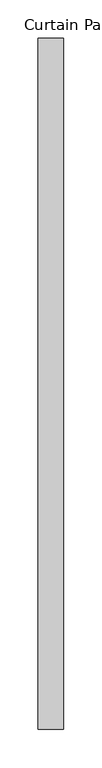
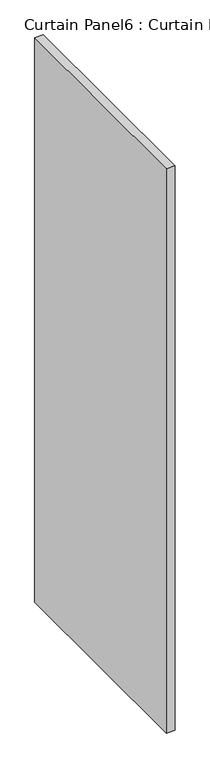
"""IFC4 building model written with IfcOpenShell, lengths in millimetres: plate geometry, Curtain Panel6 : Curtain Panel."""

import ifcopenshell
import ifcopenshell.guid

model = None  # the IFC model being written
_history = None  # IfcOwnerHistory: only IFC2X3 demands one
_inside = {}  # id of a spatial element -> (the spatial element, [elements in it])
_under = {}  # id of a project, library or spatial element -> (it, [spatial elements below it])
_declared = {}  # id of a project -> (the project, [libraries it declares])
_typed = {}  # id of a type object -> (the type object, [elements of that type])
_made_of = {}  # id of a material, layer set ... -> (it, [elements and type objects made of it])


def new_model(schema):
    """Start an empty IFC model of exactly this schema.

    Asked for "IFC4X3", IfcOpenShell would pick the latest addendum, in which some entities
    have other attributes; the version numbers below select the first issue.
    IFC2X3 requires an IfcOwnerHistory on every rooted entity: one is made here for all.
    """
    global model, _history
    if schema == "IFC4X3":
        model = ifcopenshell.file(schema_version=(4, 3, 0, 0))
    else:
        model = ifcopenshell.file(schema=schema)
    _inside.clear()
    _under.clear()
    _declared.clear()
    _typed.clear()
    _made_of.clear()
    _history = None
    if model.schema == "IFC2X3":
        org = make("IfcOrganization", Name="unknown")
        user = make(
            "IfcPersonAndOrganization",
            ThePerson=make("IfcPerson", FamilyName="unknown"),
            TheOrganization=org,
        )
        app = make(
            "IfcApplication",
            ApplicationDeveloper=org,
            Version="unknown",
            ApplicationFullName="unknown",
            ApplicationIdentifier="unknown",
        )
        _history = make(
            "IfcOwnerHistory",
            OwningUser=user,
            OwningApplication=app,
            ChangeAction="ADDED",
            CreationDate=0,
        )
    return model


def make(cls, **values):
    """One entity of the class cls with the attributes given. An attribute that is None is left unset."""
    return model.create_entity(
        cls, **{name: value for name, value in values.items() if value is not None}
    )


def rooted(cls, **values):
    """An entity with a GlobalId (a new one), such as an element, a storey or a relation."""
    return make(cls, GlobalId=ifcopenshell.guid.new(), OwnerHistory=_history, **values)


def si_unit(unit_type, name, prefix=None):
    """IfcSIUnit, for example si_unit("LENGTHUNIT", "METRE", prefix="MILLI")."""
    return make("IfcSIUnit", UnitType=unit_type, Prefix=prefix, Name=name)


def assignment(units):
    """IfcUnitAssignment: the units of a project."""
    return None if units is None else make("IfcUnitAssignment", Units=units)


def point(xyz):
    """IfcCartesianPoint."""
    return None if xyz is None else make("IfcCartesianPoint", Coordinates=xyz)


def direction(xyz):
    """IfcDirection."""
    return None if xyz is None else make("IfcDirection", DirectionRatios=xyz)


def frame(location, z_axis=None, x_axis=None):
    """IfcAxis2Placement3D, a coordinate frame: its origin and axes. An axis left out is left unset."""
    return make(
        "IfcAxis2Placement3D",
        Location=point(location),
        Axis=direction(z_axis),
        RefDirection=direction(x_axis),
    )


def origin():
    """The frame at (0, 0, 0) with its axes left unset."""
    return frame((0.0, 0.0, 0.0))


def place(relative_to, where):
    """IfcLocalPlacement: puts the frame where relative to a parent placement (None: the world)."""
    return make(
        "IfcLocalPlacement", PlacementRelTo=relative_to, RelativePlacement=where
    )


def context(
    kind, dimensions, precision=None, world=None, true_north=None, identifier=None
):
    """IfcGeometricRepresentationContext, for example the 3D "Model" context."""
    return make(
        "IfcGeometricRepresentationContext",
        ContextIdentifier=identifier,
        ContextType=kind,
        CoordinateSpaceDimension=dimensions,
        Precision=precision,
        WorldCoordinateSystem=world,
        TrueNorth=true_north,
    )


def project(units=None, contexts=None):
    """IfcProject with its units and contexts."""
    return rooted(
        "IfcProject",
        Name="project",
        RepresentationContexts=contexts,
        UnitsInContext=assignment(units),
    )


def spatial(cls, under=None, at=None, **own):
    """A site, building, storey or space (cls), placed at a placement, below another one or the project."""
    s = rooted(cls, ObjectPlacement=at, **own)
    if under is not None:
        _under.setdefault(under.id(), (under, []))[1].append(s)
    return s


def polyline(points):
    """IfcPolyline through the points."""
    return make("IfcPolyline", Points=[point(p) for p in points])


def outline(outer, holes=None, kind="AREA"):
    """IfcArbitraryClosedProfileDef: a profile drawn as a closed curve; with holes, ...WithVoids."""
    if holes is None:
        return make("IfcArbitraryClosedProfileDef", ProfileType=kind, OuterCurve=outer)
    return make(
        "IfcArbitraryProfileDefWithVoids",
        ProfileType=kind,
        OuterCurve=outer,
        InnerCurves=holes,
    )


def extrude(swept, where, along, depth):
    """IfcExtrudedAreaSolid: the profile swept, set in the frame where, extruded along a direction by depth."""
    return make(
        "IfcExtrudedAreaSolid",
        SweptArea=swept,
        Position=where,
        ExtrudedDirection=direction(along),
        Depth=depth,
    )


def shape(context_of_items, identifier, shape_type, items):
    """IfcShapeRepresentation: the items that make up one representation, for example the "Body"."""
    return make(
        "IfcShapeRepresentation",
        ContextOfItems=context_of_items,
        RepresentationIdentifier=identifier,
        RepresentationType=shape_type,
        Items=items,
    )


def source(mapping_origin, context_of_items, identifier, shape_type, items):
    """IfcRepresentationMap: a shape defined once, which mapped items show again and again."""
    return make(
        "IfcRepresentationMap",
        MappingOrigin=mapping_origin,
        MappedRepresentation=shape(context_of_items, identifier, shape_type, items),
    )


def transform(
    local_origin,
    x_axis=None,
    y_axis=None,
    z_axis=None,
    scale=None,
    scale2=None,
    scale3=None,
    uniform=True,
):
    """IfcCartesianTransformationOperator3D, or its non-uniform kind. x_axis, y_axis, z_axis: its Axis1, 2, 3."""
    if uniform:
        return make(
            "IfcCartesianTransformationOperator3D",
            Axis1=direction(x_axis),
            Axis2=direction(y_axis),
            LocalOrigin=point(local_origin),
            Scale=scale,
            Axis3=direction(z_axis),
        )
    return make(
        "IfcCartesianTransformationOperator3DnonUniform",
        Axis1=direction(x_axis),
        Axis2=direction(y_axis),
        LocalOrigin=point(local_origin),
        Scale=scale,
        Axis3=direction(z_axis),
        Scale2=scale2,
        Scale3=scale3,
    )


def mapped(mapping_source, mapping_target):
    """IfcMappedItem: shows the shape of a source again, moved by a transform."""
    return make(
        "IfcMappedItem", MappingSource=mapping_source, MappingTarget=mapping_target
    )


def made_of(thing, what):
    """Note that an element or type object is made of a material, layer set ...; save() writes the relation."""
    if what is not None:
        _made_of.setdefault(what.id(), (what, []))[1].append(thing)
    return thing


def element(
    cls,
    number,
    at=None,
    inside=None,
    cuts=None,
    type_object=None,
    material=None,
    context=None,
    identifier="Body",
    shape_type=None,
    held_by="IfcProductDefinitionShape",
    body=None,
    shapes=None,
    **own,
):
    """One element of the class cls, such as IfcWall. Its Tag is "e" and its number.

    at: its placement. inside: the storey or other place that contains it. cuts: it is an
    opening in that element (IfcRelVoidsElement). A single representation is given by context,
    identifier, shape_type and body (its items); several are given by shapes. held_by: the class
    of the entity that holds the representations. save() writes the other relations.
    """
    e = rooted(cls, Tag="e%d" % number, ObjectPlacement=at, **own)
    if body is not None:
        shapes = [shape(context, identifier, shape_type, body)]
    if shapes is not None:
        e.Representation = make(held_by, Representations=shapes)
    if inside is not None:
        _inside.setdefault(inside.id(), (inside, []))[1].append(e)
    if cuts is not None:
        rooted(
            "IfcRelVoidsElement", RelatingBuildingElement=cuts, RelatedOpeningElement=e
        )
    if type_object is not None:
        _typed.setdefault(type_object.id(), (type_object, []))[1].append(e)
    return made_of(e, material)


def aggregate(whole, parts):
    """IfcRelAggregates: a whole, such as a stair, and the parts it consists of."""
    return rooted("IfcRelAggregates", RelatingObject=whole, RelatedObjects=parts)


def save(model, path):
    """Write the relations noted so far, then the file.

    IfcRelAggregates (storeys below a building ...), IfcRelContainedInSpatialStructure (elements
    in a storey), IfcRelDefinesByType, IfcRelAssociatesMaterial and IfcRelDeclares: one each for
    every whole, place, type object, material and project.
    """
    for whole, parts in _under.values():
        aggregate(whole, parts)
    for where, things in _inside.values():
        rooted(
            "IfcRelContainedInSpatialStructure",
            RelatedElements=things,
            RelatingStructure=where,
        )
    for kind, things in _typed.values():
        rooted("IfcRelDefinesByType", RelatedObjects=things, RelatingType=kind)
    for what, things in _made_of.values():
        rooted("IfcRelAssociatesMaterial", RelatedObjects=things, RelatingMaterial=what)
    for by, libraries in _declared.values():
        rooted("IfcRelDeclares", RelatingContext=by, RelatedDefinitions=libraries)
    model.write(path)


def curtain_panel6_curtain_panel_98d80a81(model_context):
    return source(origin(), model_context, "Body", "SweptSolid", [
        extrude(outline(polyline([(-94355.4609225, 90389.4936487), (-94355.4609225, 89488.6964371), (-94388.7984225, 89488.6964371), (-94388.7984225, 90389.4936487), (-94355.4609225, 90389.4936487)])), frame((0.0, 0.0, 66.6798917), z_axis=(0.0, 0.0, 1.0), x_axis=(1.0, 0.0, 0.0)), (0.0, 0.0, 1.0), 2352.6701083),
    ])


if __name__ == "__main__":
    model = new_model("IFC4")
    model_context = context("Model", 3, world=origin())
    ifc_project = project(units=[si_unit("LENGTHUNIT", "METRE", prefix="MILLI")], contexts=[model_context])
    site = spatial("IfcSite", under=ifc_project)
    building = spatial("IfcBuilding", under=site)
    placement = place(None, origin())
    curtain_panel6_curtain_panel_shape = curtain_panel6_curtain_panel_98d80a81(model_context)
    element("IfcPlate", 1, ObjectType="Curtain Panel6 : Curtain Panel", at=placement, inside=building, context=model_context, shape_type="MappedRepresentation", body=[
        mapped(curtain_panel6_curtain_panel_shape, transform((0.0, 0.0, 0.0), x_axis=(1.0, 0.0, 0.0), y_axis=(0.0, 1.0, 0.0), z_axis=(0.0, 0.0, 1.0))),
    ])
    save(model, "model.ifc")
